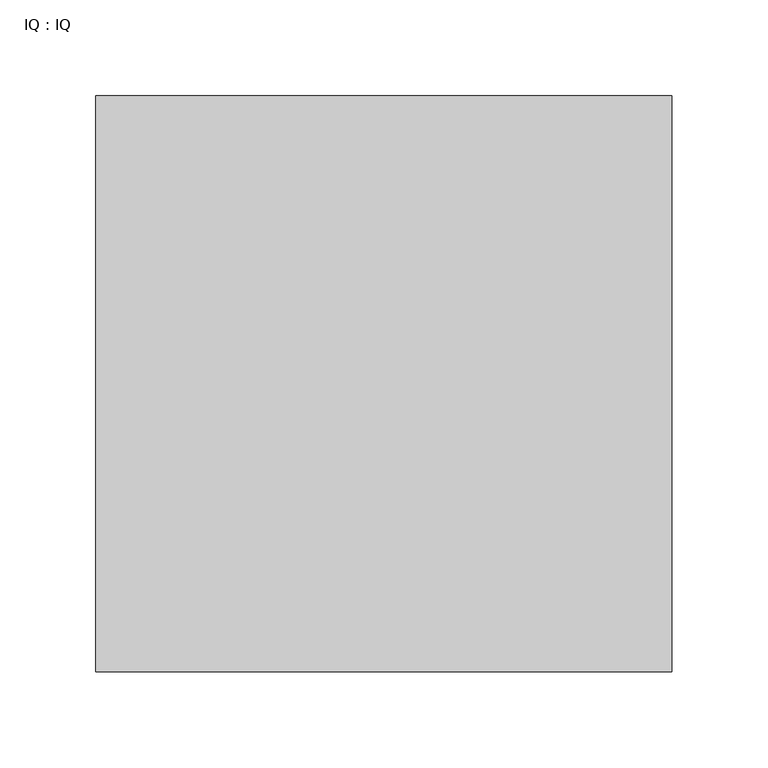
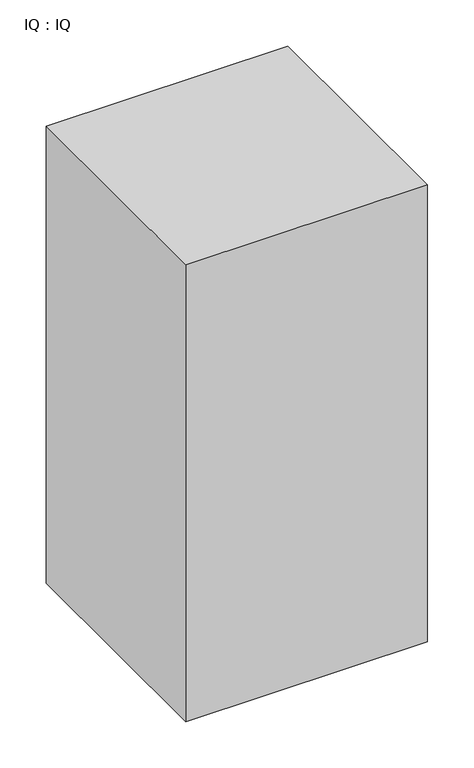
"""IFC4 building model written with IfcOpenShell, lengths in millimetres: proxy geometry, IQ : IQ."""

from ifc_helpers import new_model, si_unit, frame, origin, place, context, project, spatial, polyline, outline, extrude, source, transform, mapped, element, save


def iq_iq_ccdbce0a(model_context):
    return source(origin(), model_context, "Body", "SweptSolid", [
        extrude(outline(polyline([(300.0, 300.0), (300.0, 0.0), (0.0, 0.0), (0.0, 300.0), (300.0, 300.0)])), frame((0.0, 0.0, 200.0), z_axis=(0.0, 0.0, 1.0), x_axis=(1.0, 0.0, 0.0)), (0.0, 0.0, 1.0), 600.0),
    ])


if __name__ == "__main__":
    model = new_model("IFC4")
    model_context = context("Model", 3, world=origin())
    ifc_project = project(units=[si_unit("LENGTHUNIT", "METRE", prefix="MILLI")], contexts=[model_context])
    site = spatial("IfcSite", under=ifc_project)
    building = spatial("IfcBuilding", under=site)
    placement = place(None, origin())
    iq_iq_shape = iq_iq_ccdbce0a(model_context)
    element("IfcBuildingElementProxy", 1, Name="IQ : IQ", ObjectType="IQ : IQ", at=placement, inside=building, context=model_context, shape_type="MappedRepresentation", body=[
        mapped(iq_iq_shape, transform((0.0, 0.0, 0.0), x_axis=(1.0, 0.0, 0.0), y_axis=(0.0, 1.0, 0.0), z_axis=(0.0, 0.0, 1.0))),
    ])
    save(model, "model.ifc")
